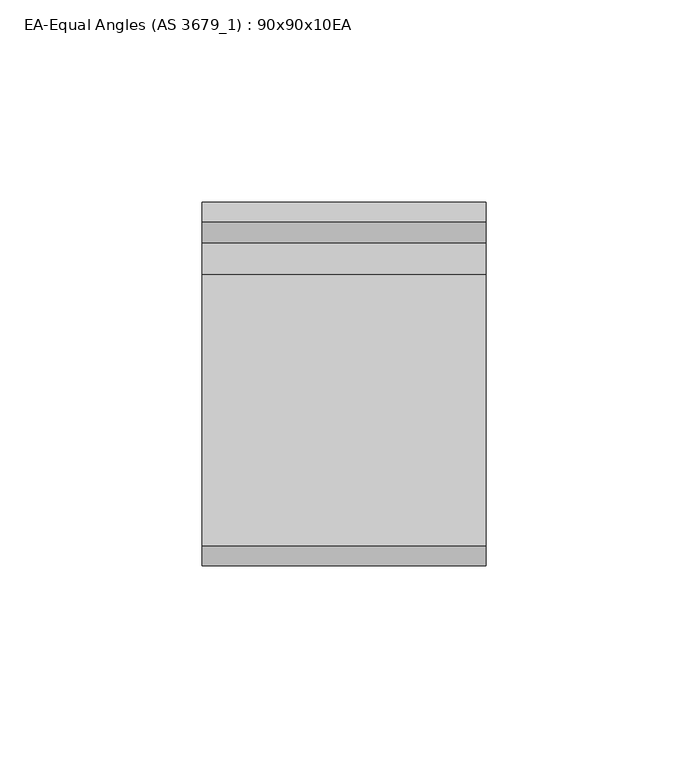
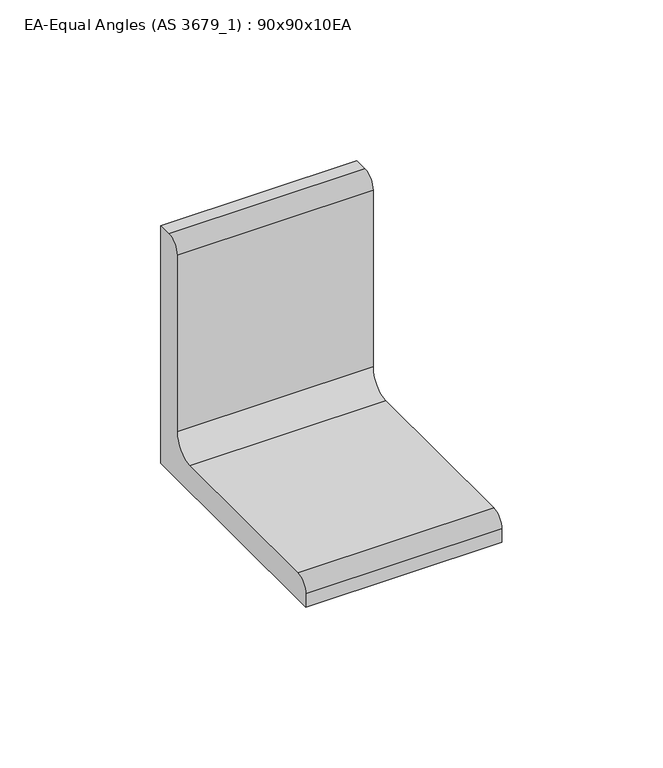
"""IFC4 building model written with IfcOpenShell, lengths in millimetres: beam geometry, EA-Equal Angles (AS 3679_1) : 90x90x10EA."""

from ifc_helpers import new_model, si_unit, point, frame, frame_2d, origin, place, context, project, spatial, polyline, circle_curve, trimmed, segment, composite_curve, outline, extrude, source, transform, mapped, element, save


def ea_equal_angles_as_3679_1_90x90x10ea_ca94aedd(model_context):
    return source(origin(), model_context, "Body", "SweptSolid", [
        extrude(outline(composite_curve([segment(polyline([(25.7, -25.7), (-64.3, -25.7), (-64.3, -20.7)]), True, "CONTINUOUS"), segment(trimmed(circle_curve(frame_2d((-59.3, -20.7)), 5.0), [point((-64.3, -20.7))], [point((-59.3, -15.7))], False, "CARTESIAN"), True, "CONTINUOUS"), segment(polyline([(-59.3, -15.7), (7.7, -15.7)]), True, "CONTINUOUS"), segment(trimmed(circle_curve(frame_2d((7.7, -7.7)), 8.0), [point((7.7, -15.7))], [point((15.7, -7.7))], True, "CARTESIAN"), True, "CONTINUOUS"), segment(polyline([(15.7, -7.7), (15.7, 59.3)]), True, "CONTINUOUS"), segment(trimmed(circle_curve(frame_2d((20.7, 59.3)), 5.0), [point((15.7, 59.3))], [point((20.7, 64.3))], False, "CARTESIAN"), True, "CONTINUOUS"), segment(polyline([(20.7, 64.3), (25.7, 64.3), (25.7, -25.7)]), True, "CONTINUOUS")], self_intersect=False)), frame((-41.55, 0.0, 0.0), z_axis=(1.0, 0.0, 0.0), x_axis=(0.0, 1.0, 0.0)), (0.0, 0.0, 1.0), 70.3),
    ])


if __name__ == "__main__":
    model = new_model("IFC4")
    model_context = context("Model", 3, world=origin())
    ifc_project = project(units=[si_unit("LENGTHUNIT", "METRE", prefix="MILLI")], contexts=[model_context])
    site = spatial("IfcSite", under=ifc_project)
    building = spatial("IfcBuilding", under=site)
    placement = place(None, origin())
    ea_equal_angles_as_3679_1_90x90x10ea_shape = ea_equal_angles_as_3679_1_90x90x10ea_ca94aedd(model_context)
    element("IfcBeam", 1, ObjectType="EA-Equal Angles (AS 3679_1) : 90x90x10EA", at=placement, inside=building, context=model_context, shape_type="MappedRepresentation", body=[
        mapped(ea_equal_angles_as_3679_1_90x90x10ea_shape, transform((0.0, 0.0, 0.0), x_axis=(1.0, 0.0, 0.0), y_axis=(0.0, 1.0, 0.0), z_axis=(0.0, 0.0, 1.0))),
    ])
    save(model, "model.ifc")
